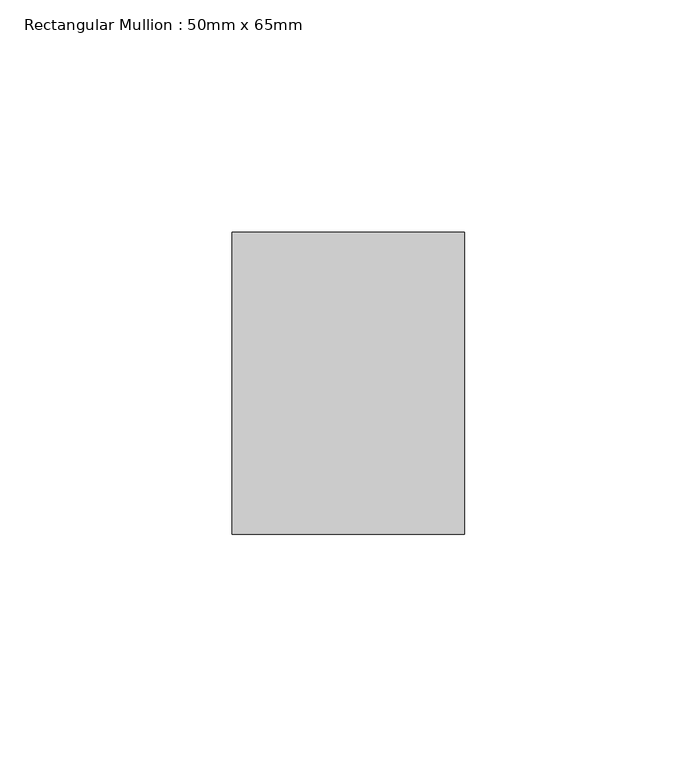
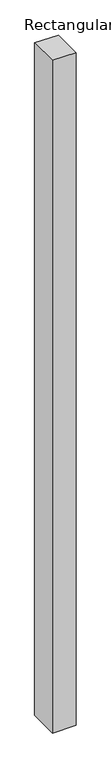
"""IFC4 building model written with IfcOpenShell, lengths in millimetres: member geometry, Rectangular Mullion : 50mm x 65mm."""

import ifcopenshell
import ifcopenshell.guid

model = None  # the IFC model being written
_history = None  # IfcOwnerHistory: only IFC2X3 demands one
_inside = {}  # id of a spatial element -> (the spatial element, [elements in it])
_under = {}  # id of a project, library or spatial element -> (it, [spatial elements below it])
_declared = {}  # id of a project -> (the project, [libraries it declares])
_typed = {}  # id of a type object -> (the type object, [elements of that type])
_made_of = {}  # id of a material, layer set ... -> (it, [elements and type objects made of it])


def new_model(schema):
    """Start an empty IFC model of exactly this schema.

    Asked for "IFC4X3", IfcOpenShell would pick the latest addendum, in which some entities
    have other attributes; the version numbers below select the first issue.
    IFC2X3 requires an IfcOwnerHistory on every rooted entity: one is made here for all.
    """
    global model, _history
    if schema == "IFC4X3":
        model = ifcopenshell.file(schema_version=(4, 3, 0, 0))
    else:
        model = ifcopenshell.file(schema=schema)
    _inside.clear()
    _under.clear()
    _declared.clear()
    _typed.clear()
    _made_of.clear()
    _history = None
    if model.schema == "IFC2X3":
        org = make("IfcOrganization", Name="unknown")
        user = make(
            "IfcPersonAndOrganization",
            ThePerson=make("IfcPerson", FamilyName="unknown"),
            TheOrganization=org,
        )
        app = make(
            "IfcApplication",
            ApplicationDeveloper=org,
            Version="unknown",
            ApplicationFullName="unknown",
            ApplicationIdentifier="unknown",
        )
        _history = make(
            "IfcOwnerHistory",
            OwningUser=user,
            OwningApplication=app,
            ChangeAction="ADDED",
            CreationDate=0,
        )
    return model


def make(cls, **values):
    """One entity of the class cls with the attributes given. An attribute that is None is left unset."""
    return model.create_entity(
        cls, **{name: value for name, value in values.items() if value is not None}
    )


def rooted(cls, **values):
    """An entity with a GlobalId (a new one), such as an element, a storey or a relation."""
    return make(cls, GlobalId=ifcopenshell.guid.new(), OwnerHistory=_history, **values)


def si_unit(unit_type, name, prefix=None):
    """IfcSIUnit, for example si_unit("LENGTHUNIT", "METRE", prefix="MILLI")."""
    return make("IfcSIUnit", UnitType=unit_type, Prefix=prefix, Name=name)


def assignment(units):
    """IfcUnitAssignment: the units of a project."""
    return None if units is None else make("IfcUnitAssignment", Units=units)


def point(xyz):
    """IfcCartesianPoint."""
    return None if xyz is None else make("IfcCartesianPoint", Coordinates=xyz)


def direction(xyz):
    """IfcDirection."""
    return None if xyz is None else make("IfcDirection", DirectionRatios=xyz)


def frame(location, z_axis=None, x_axis=None):
    """IfcAxis2Placement3D, a coordinate frame: its origin and axes. An axis left out is left unset."""
    return make(
        "IfcAxis2Placement3D",
        Location=point(location),
        Axis=direction(z_axis),
        RefDirection=direction(x_axis),
    )


def origin():
    """The frame at (0, 0, 0) with its axes left unset."""
    return frame((0.0, 0.0, 0.0))


def place(relative_to, where):
    """IfcLocalPlacement: puts the frame where relative to a parent placement (None: the world)."""
    return make(
        "IfcLocalPlacement", PlacementRelTo=relative_to, RelativePlacement=where
    )


def context(
    kind, dimensions, precision=None, world=None, true_north=None, identifier=None
):
    """IfcGeometricRepresentationContext, for example the 3D "Model" context."""
    return make(
        "IfcGeometricRepresentationContext",
        ContextIdentifier=identifier,
        ContextType=kind,
        CoordinateSpaceDimension=dimensions,
        Precision=precision,
        WorldCoordinateSystem=world,
        TrueNorth=true_north,
    )


def project(units=None, contexts=None):
    """IfcProject with its units and contexts."""
    return rooted(
        "IfcProject",
        Name="project",
        RepresentationContexts=contexts,
        UnitsInContext=assignment(units),
    )


def spatial(cls, under=None, at=None, **own):
    """A site, building, storey or space (cls), placed at a placement, below another one or the project."""
    s = rooted(cls, ObjectPlacement=at, **own)
    if under is not None:
        _under.setdefault(under.id(), (under, []))[1].append(s)
    return s


def faces_of(points, faces, orient=None, outer=None):
    """IfcFace entities. A face is a list of loops; a loop is a list of indices into points, from 0.

    orient and outer hold one flag for each loop. By default every Orientation is true, the
    first loop of a face is its IfcFaceOuterBound and the others are IfcFaceBound.
    """
    made = []
    for i, loops in enumerate(faces):
        bounds = []
        for j, loop in enumerate(loops):
            is_outer = j == 0 if outer is None else outer[i][j]
            bounds.append(
                make(
                    "IfcFaceOuterBound" if is_outer else "IfcFaceBound",
                    Bound=make("IfcPolyLoop", Polygon=[points[k] for k in loop]),
                    Orientation=True if orient is None else orient[i][j],
                )
            )
        made.append(make("IfcFace", Bounds=bounds))
    return made


def faceted_brep(points, faces, orient=None, outer=None, voids=None):
    """IfcFacetedBrep: a solid bounded by flat faces; with voids (closed shells), ...WithVoids."""
    shared = [point(p) for p in points]
    hull = make("IfcClosedShell", CfsFaces=faces_of(shared, faces, orient, outer))
    if voids is None:
        return make("IfcFacetedBrep", Outer=hull)
    return make(
        "IfcFacetedBrepWithVoids",
        Outer=hull,
        Voids=[
            make(cls, CfsFaces=faces_of(shared, fs, o, b)) for cls, fs, o, b in voids
        ],
    )


def shape(context_of_items, identifier, shape_type, items):
    """IfcShapeRepresentation: the items that make up one representation, for example the "Body"."""
    return make(
        "IfcShapeRepresentation",
        ContextOfItems=context_of_items,
        RepresentationIdentifier=identifier,
        RepresentationType=shape_type,
        Items=items,
    )


def source(mapping_origin, context_of_items, identifier, shape_type, items):
    """IfcRepresentationMap: a shape defined once, which mapped items show again and again."""
    return make(
        "IfcRepresentationMap",
        MappingOrigin=mapping_origin,
        MappedRepresentation=shape(context_of_items, identifier, shape_type, items),
    )


def transform(
    local_origin,
    x_axis=None,
    y_axis=None,
    z_axis=None,
    scale=None,
    scale2=None,
    scale3=None,
    uniform=True,
):
    """IfcCartesianTransformationOperator3D, or its non-uniform kind. x_axis, y_axis, z_axis: its Axis1, 2, 3."""
    if uniform:
        return make(
            "IfcCartesianTransformationOperator3D",
            Axis1=direction(x_axis),
            Axis2=direction(y_axis),
            LocalOrigin=point(local_origin),
            Scale=scale,
            Axis3=direction(z_axis),
        )
    return make(
        "IfcCartesianTransformationOperator3DnonUniform",
        Axis1=direction(x_axis),
        Axis2=direction(y_axis),
        LocalOrigin=point(local_origin),
        Scale=scale,
        Axis3=direction(z_axis),
        Scale2=scale2,
        Scale3=scale3,
    )


def mapped(mapping_source, mapping_target):
    """IfcMappedItem: shows the shape of a source again, moved by a transform."""
    return make(
        "IfcMappedItem", MappingSource=mapping_source, MappingTarget=mapping_target
    )


def made_of(thing, what):
    """Note that an element or type object is made of a material, layer set ...; save() writes the relation."""
    if what is not None:
        _made_of.setdefault(what.id(), (what, []))[1].append(thing)
    return thing


def element(
    cls,
    number,
    at=None,
    inside=None,
    cuts=None,
    type_object=None,
    material=None,
    context=None,
    identifier="Body",
    shape_type=None,
    held_by="IfcProductDefinitionShape",
    body=None,
    shapes=None,
    **own,
):
    """One element of the class cls, such as IfcWall. Its Tag is "e" and its number.

    at: its placement. inside: the storey or other place that contains it. cuts: it is an
    opening in that element (IfcRelVoidsElement). A single representation is given by context,
    identifier, shape_type and body (its items); several are given by shapes. held_by: the class
    of the entity that holds the representations. save() writes the other relations.
    """
    e = rooted(cls, Tag="e%d" % number, ObjectPlacement=at, **own)
    if body is not None:
        shapes = [shape(context, identifier, shape_type, body)]
    if shapes is not None:
        e.Representation = make(held_by, Representations=shapes)
    if inside is not None:
        _inside.setdefault(inside.id(), (inside, []))[1].append(e)
    if cuts is not None:
        rooted(
            "IfcRelVoidsElement", RelatingBuildingElement=cuts, RelatedOpeningElement=e
        )
    if type_object is not None:
        _typed.setdefault(type_object.id(), (type_object, []))[1].append(e)
    return made_of(e, material)


def aggregate(whole, parts):
    """IfcRelAggregates: a whole, such as a stair, and the parts it consists of."""
    return rooted("IfcRelAggregates", RelatingObject=whole, RelatedObjects=parts)


def save(model, path):
    """Write the relations noted so far, then the file.

    IfcRelAggregates (storeys below a building ...), IfcRelContainedInSpatialStructure (elements
    in a storey), IfcRelDefinesByType, IfcRelAssociatesMaterial and IfcRelDeclares: one each for
    every whole, place, type object, material and project.
    """
    for whole, parts in _under.values():
        aggregate(whole, parts)
    for where, things in _inside.values():
        rooted(
            "IfcRelContainedInSpatialStructure",
            RelatedElements=things,
            RelatingStructure=where,
        )
    for kind, things in _typed.values():
        rooted("IfcRelDefinesByType", RelatedObjects=things, RelatingType=kind)
    for what, things in _made_of.values():
        rooted("IfcRelAssociatesMaterial", RelatedObjects=things, RelatingMaterial=what)
    for by, libraries in _declared.values():
        rooted("IfcRelDeclares", RelatingContext=by, RelatedDefinitions=libraries)
    model.write(path)


def rectangular_mullion_50mm_x_65mm_9f1f23b0(model_context):
    return source(origin(), model_context, "Body", "Brep", [
        faceted_brep([(-25.0, 32.5, -0.2664472), (25.0, 32.5, -0.2664483), (25.0, 32.5, -1499.6462879), (-25.0, 32.5, -1499.6462895), (-25.0, -32.5, 0.2664483), (-25.0, -32.5, -1500.3536302), (25.0, -32.5, 0.2664472), (25.0, -32.5, -1500.3536286)], [[[0, 1, 2, 3]], [[4, 0, 3, 5]], [[6, 4, 5, 7]], [[1, 6, 7, 2]], [[1, 0, 4, 6]], [[2, 7, 5, 3]]]),
    ])


if __name__ == "__main__":
    model = new_model("IFC4")
    model_context = context("Model", 3, world=origin())
    ifc_project = project(units=[si_unit("LENGTHUNIT", "METRE", prefix="MILLI")], contexts=[model_context])
    site = spatial("IfcSite", under=ifc_project)
    building = spatial("IfcBuilding", under=site)
    placement = place(None, origin())
    rectangular_mullion_50mm_x_65mm_shape = rectangular_mullion_50mm_x_65mm_9f1f23b0(model_context)
    element("IfcMember", 1, ObjectType="Rectangular Mullion : 50mm x 65mm", at=placement, inside=building, context=model_context, shape_type="MappedRepresentation", body=[
        mapped(rectangular_mullion_50mm_x_65mm_shape, transform((0.0, 0.0, 0.0), x_axis=(1.0, 0.0, 0.0), y_axis=(0.0, 1.0, 0.0), z_axis=(0.0, 0.0, 1.0))),
    ])
    save(model, "model.ifc")
